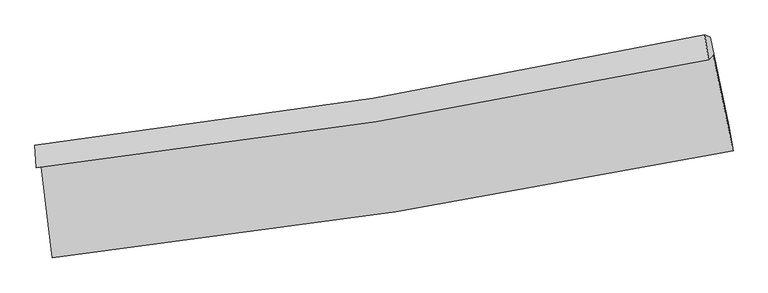
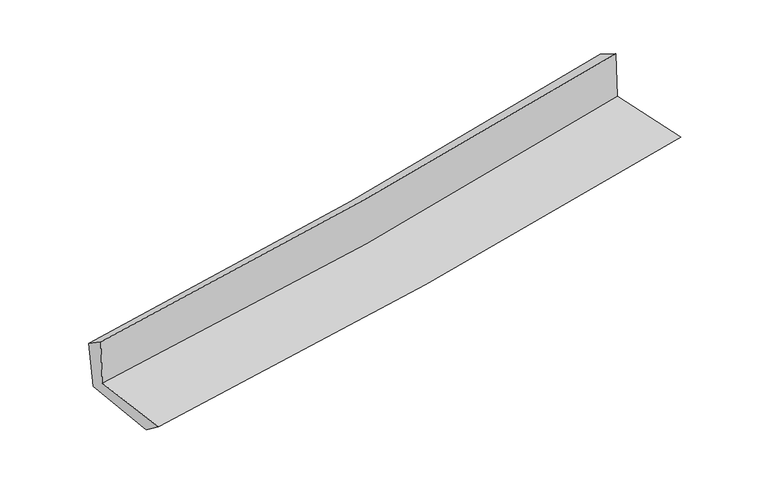
"""IFC4 building model written with IfcOpenShell, lengths in millimetres: proxy geometry."""

from ifc_helpers import new_model, si_unit, frame, origin, place, context, project, spatial, source, transform, mapped, element, save
from ifc_brep_helpers import plane_surface, spline_curve, spline_surface, advanced_brep


def generic_models_18642f66(model_context):
    return source(origin(), model_context, "Body", "AdvancedBrep", [
        advanced_brep(
        [(-2405.9264233, -1853.9653665, 1672.3322576), (-2323.7848635, -2524.6119114, 1663.6507697), (2480.2840684, -1768.799516, 2086.7016507), (2339.1100193, -1095.0018691, 2089.0797), (-2437.3303861, -1888.4437943, 2069.7283823), (2307.4927838, -1126.3563266, 2495.3895506), (-2446.9918131, -1729.1066429, 1961.7481714), (2280.2478403, -951.194138, 2395.3777976), (-2411.4747514, -1734.505031, 1572.4461908), (2318.9961368, -965.8973605, 2015.714514), (-2332.4578199, -2367.2424057, 1547.2981492), (2451.3140794, -1589.339757, 1995.4814899)],
        [
            (0, 1),
            (1, 2, spline_curve(3, [(-2323.7848635, -2524.6119114, 1663.6507697), (-1513.223199612, -2433.661503336, 1733.476138168), (-705.258161811, -2324.725164076, 1803.854156316), (896.037627234, -2072.36848573, 1944.883997828), (1689.428900015, -1929.367359872, 2015.522939983), (2480.2840684, -1768.799516, 2086.7016507)], [4, 2, 4], [0.0, 8.009813167251052, 15.925730271582198])),
            (2, 3),
            (3, 0, spline_curve(3, [(2339.1100193, -1095.0018691, 2089.0797), (1560.114325407, -1262.744631631, 2016.076220779), (777.549287771, -1409.613872581, 1945.038625544), (-804.044347175, -1663.09983172, 1806.075897637), (-1603.158123932, -1769.218423368, 1738.197678565), (-2405.9264233, -1853.9653665, 1672.3322576)], [4, 2, 4], [0.0, 7.915917104331147, 15.925730271582198])),
            (4, 0),
            (3, 5),
            (5, 4, spline_curve(3, [(2307.4927838, -1126.3563266, 2495.3895506), (1527.045324681, -1291.962860823, 2432.807522081), (743.767688538, -1438.014960143, 2366.277296773), (-837.772494999, -1692.510764073, 2224.484460653), (-1636.102582418, -1800.487820637, 2149.127629904), (-2437.3303861, -1888.4437943, 2069.7283823)], [4, 2, 4], [0.0, 7.86968835340533, 15.832724419154324])),
            (6, 4),
            (5, 7),
            (7, 6, spline_curve(3, [(2280.2478403, -951.194138, 2395.3777976), (1503.448959665, -1119.311704519, 2327.630628896), (723.454434264, -1267.929971178, 2257.846376122), (-852.215855987, -1527.699471676, 2113.351780477), (-1647.967881559, -1638.385373531, 2038.592824499), (-2446.9918131, -1729.1066429, 1961.7481714)], [4, 2, 4], [0.0, 7.8589390638043355, 15.811098335336078])),
            (8, 6),
            (7, 9),
            (9, 8, spline_curve(3, [(2318.9961368, -965.8973605, 2015.714514), (1541.27919335, -1129.275858233, 1943.099813686), (760.556826243, -1274.744333416, 1870.073664604), (-816.195081645, -1531.374296127, 1722.327375627), (-1612.29634389, -1642.108377621, 1647.597417059), (-2411.4747514, -1734.505031, 1572.4461908)], [4, 2, 4], [0.0, 7.8493025178349285, 15.791710937788103])),
            (10, 8),
            (9, 11),
            (11, 10, spline_curve(3, [(2451.3140794, -1589.339757, 1995.4814899), (1664.340540908, -1754.684252384, 1921.99556846), (874.573059379, -1901.906996879, 1848.12647121), (-719.950899111, -2161.640338186, 1698.741168607), (-1524.774050562, -2273.718476737, 1623.215818953), (-2332.4578199, -2367.2424057, 1547.2981492)], [4, 2, 4], [0.0, 7.895438957501121, 15.884531072730255])),
            (1, 10),
            (11, 2),
        ],
        [
            spline_surface(3, 3, [[(-2405.9264233, -1853.9653665, 1672.3322576), (-1603.158124059, -1769.21842341, 1738.197678487), (-804.044347299, -1663.099831845, 1806.07589753), (777.549287893, -1409.613872457, 1945.038625649), (1560.114325321, -1262.744631614, 2016.07622071), (2339.1100193, -1095.0018691, 2089.0797)], [(-2378.545903358, -2077.514214791, 1669.438428294), (-1573.179815893, -1990.699450028, 1736.623831741), (-771.115618765, -1883.641609227, 1805.335317124), (817.045400992, -1630.532076877, 1944.987083004), (1603.219183524, -1484.952207724, 2015.891793788), (2386.168035659, -1319.601084757, 2088.287016882)], [(-2351.165383442, -2301.063063109, 1666.544599006), (-1543.201507753, -2212.180476674, 1735.049985014), (-738.186890265, -2104.183386659, 1804.594736778), (856.541514057, -1851.450281345, 1944.935540419), (1646.32404175, -1707.159783764, 2015.707366918), (2433.226052041, -1544.200300343, 2087.494333818)], [(-2323.7848635, -2524.6119114, 1663.6507697), (-1513.223199587, -2433.661503291, 1733.476138267), (-705.258161731, -2324.725164041, 1803.854156372), (896.037627155, -2072.368485765, 1944.883997773), (1689.428899953, -1929.367359875, 2015.522939996), (2480.2840684, -1768.799516, 2086.7016507)]], [4, 4], [4, 2, 4], [0.0, 2.2015034613675657], [0.0, 8.009813167251052, 15.925730271582198]),
            spline_surface(3, 3, [[(-2437.3303861, -1888.4437943, 2069.7283823), (-1636.102582437, -1800.487820665, 2149.127629796), (-837.772495131, -1692.510764127, 2224.484460658), (743.767688668, -1438.01496009, 2366.277296767), (1527.045324665, -1291.962860743, 2432.807522014), (2307.4927838, -1126.3563266, 2495.3895506)], [(-2426.862398486, -1876.950985051, 1937.263007409), (-1625.121096297, -1790.064688264, 2012.150979368), (-826.529779183, -1682.707120031, 2085.014939634), (755.028221746, -1428.547930877, 2225.864406413), (1538.068324905, -1282.223451029, 2293.897088274), (2318.031862322, -1115.904840762, 2359.952933761)], [(-2416.394410914, -1865.458175749, 1804.797632491), (-1614.139610198, -1779.641555811, 1875.174328914), (-815.287063246, -1672.903475941, 1945.545418554), (766.288754815, -1419.08090167, 2085.451516004), (1549.091325081, -1272.484041328, 2154.98665445), (2328.570940778, -1105.453354938, 2224.516316839)], [(-2405.9264233, -1853.9653665, 1672.3322576), (-1603.158124059, -1769.21842341, 1738.197678487), (-804.044347299, -1663.099831845, 1806.07589753), (777.549287893, -1409.613872457, 1945.038625649), (1560.114325321, -1262.744631614, 2016.07622071), (2339.1100193, -1095.0018691, 2089.0797)]], [4, 4], [4, 2, 4], [0.0, 1.3850142851205975], [0.0, 7.9630360657489945, 15.832724419154324]),
            spline_surface(3, 3, [[(-2446.9918131, -1729.1066429, 1961.7481714), (-1647.967881628, -1638.38537357, 2038.592824598), (-852.21585591, -1527.699471768, 2113.351780483), (723.454434187, -1267.929971088, 2257.846376115), (1503.448959586, -1119.311704566, 2327.630628983), (2280.2478403, -951.194138, 2395.3777976)], [(-2443.771337447, -1782.219026705, 1997.741575022), (-1644.012781911, -1692.419522606, 2075.437759653), (-847.401402341, -1582.636569228, 2150.396007192), (730.22551899, -1324.624967428, 2293.990016316), (1511.314414589, -1176.862089945, 2362.689593321), (2289.32948811, -1009.581534186, 2428.715048594)], [(-2440.550861753, -1835.331410495, 2033.734978678), (-1640.057682153, -1746.453671628, 2112.282694741), (-842.586948699, -1637.573666668, 2187.44023395), (736.996603865, -1381.31996375, 2330.133656566), (1519.179869662, -1234.412475364, 2397.748557676), (2298.41113599, -1067.968930414, 2462.052299606)], [(-2437.3303861, -1888.4437943, 2069.7283823), (-1636.102582437, -1800.487820665, 2149.127629796), (-837.772495131, -1692.510764127, 2224.484460658), (743.767688668, -1438.01496009, 2366.277296767), (1527.045324665, -1291.962860743, 2432.807522014), (2307.4927838, -1126.3563266, 2495.3895506)]], [4, 4], [4, 2, 4], [0.0, 0.6593163337997391], [0.0, 7.952159271531743, 15.811098335336078]),
            spline_surface(3, 3, [[(-2411.4747514, -1734.505031, 1572.4461908), (-1612.296343975, -1642.108377713, 1647.597417082), (-816.195081607, -1531.374296079, 1722.327375666), (760.556826205, -1274.744333463, 1870.073664566), (1541.279193226, -1129.27585826, 1943.099813708), (2318.9961368, -965.8973605, 2015.714514)], [(-2423.313771958, -1732.70556829, 1702.213517678), (-1624.186856518, -1640.867376322, 1777.929219599), (-828.202006375, -1530.149354649, 1852.668843933), (748.189362199, -1272.472879345, 1999.331235077), (1528.669115357, -1125.954473695, 2071.276752131), (2306.080037977, -960.996286333, 2142.268941865)], [(-2435.152792542, -1730.90610561, 1831.980844522), (-1636.077369085, -1639.626374961, 1908.261022081), (-840.208931142, -1528.924413198, 1983.010312216), (735.821898194, -1270.201425206, 2128.588805604), (1516.059037456, -1122.633089131, 2199.45369056), (2293.163939123, -956.095212167, 2268.823369735)], [(-2446.9918131, -1729.1066429, 1961.7481714), (-1647.967881628, -1638.38537357, 2038.592824598), (-852.21585591, -1527.699471768, 2113.351780483), (723.454434187, -1267.929971088, 2257.846376115), (1503.448959586, -1119.311704566, 2327.630628983), (2280.2478403, -951.194138, 2395.3777976)]], [4, 4], [4, 2, 4], [0.0, 1.283347957971646], [0.0, 7.942408419953175, 15.791710937788103]),
            spline_surface(3, 3, [[(-2332.4578199, -2367.2424057, 1547.2981492), (-1524.774050474, -2273.718476659, 1623.21581887), (-719.950899004, -2161.640338228, 1698.74116851), (874.573059272, -1901.906996838, 1848.126471306), (1664.340540917, -1754.684252382, 1921.995568514), (2451.3140794, -1589.339757, 1995.4814899)], [(-2358.796797088, -2156.329947457, 1555.680829735), (-1553.948148329, -2063.181777001, 1631.343018275), (-752.032293209, -1951.55165752, 1706.603237575), (836.567648246, -1692.852775721, 1855.442202405), (1623.320091679, -1546.214787674, 1929.030316891), (2407.208098525, -1381.525624832, 2002.225831246)], [(-2385.135774212, -1945.417489243, 1564.063510265), (-1583.12224612, -1852.645077371, 1639.470217676), (-784.113687402, -1741.462976787, 1714.465306601), (798.562237231, -1483.798554579, 1862.757933466), (1582.299642465, -1337.745322968, 1936.065065331), (2363.102117675, -1173.711492668, 2008.970172654)], [(-2411.4747514, -1734.505031, 1572.4461908), (-1612.296343975, -1642.108377713, 1647.597417082), (-816.195081607, -1531.374296079, 1722.327375666), (760.556826205, -1274.744333463, 1870.073664566), (1541.279193226, -1129.27585826, 1943.099813708), (2318.9961368, -965.8973605, 2015.714514)]], [4, 4], [4, 2, 4], [0.0, 2.0926868178889766], [0.0, 7.989092115229134, 15.884531072730255]),
            spline_surface(3, 3, [[(-2323.7848635, -2524.6119114, 1663.6507697), (-1513.223199587, -2433.661503291, 1733.476138267), (-705.258161731, -2324.725164041, 1803.854156372), (896.037627155, -2072.368485765, 1944.883997773), (1689.428899953, -1929.367359875, 2015.522939996), (2480.2840684, -1768.799516, 2086.7016507)], [(-2326.675848962, -2472.155409506, 1624.866562862), (-1517.073483211, -2380.347161087, 1696.722698464), (-710.155740808, -2270.363555433, 1768.816493762), (888.882771208, -2015.547989453, 1912.631488962), (1681.066113615, -1871.139657373, 1984.34714952), (2470.627405407, -1708.979596329, 2056.294930452)], [(-2329.566834438, -2419.698907594, 1586.082356038), (-1520.923766849, -2327.032818864, 1659.969258673), (-715.053319927, -2216.001946835, 1733.77883112), (881.727915219, -1958.72749315, 1880.378980117), (1672.703327255, -1812.911954884, 1953.17135899), (2460.970742393, -1649.159676671, 2025.888210148)], [(-2332.4578199, -2367.2424057, 1547.2981492), (-1524.774050474, -2273.718476659, 1623.21581887), (-719.950899004, -2161.640338228, 1698.74116851), (874.573059272, -1901.906996838, 1848.126471306), (1664.340540917, -1754.684252382, 1921.995568514), (2451.3140794, -1589.339757, 1995.4814899)]], [4, 4], [4, 2, 4], [0.0, 0.6422581635785705], [0.0, 8.04553228480046, 15.99674978474096]),
            plane_surface(frame((2362.907488, -1249.4314945, 2179.6241171), z_axis=(0.9746996377617366, 0.20389579937227384, 0.09158121611706549), x_axis=(-0.10145694795607993, 0.038498313889874666, 0.9940947477675727))),
            plane_surface(frame((-2392.9943429, -2016.3125253, 1747.8673201), z_axis=(-0.9888211485467246, -0.11996568514027815, -0.08854925508190428), x_axis=(-0.12156261584944034, 0.9925006108667576, 0.0128478736355309))),
        ],
        [
            (0, [[1, 2, 3, 4]]),
            (1, [[5, -4, 6, 7]]),
            (2, [[8, -7, 9, 10]]),
            (3, [[11, -10, 12, 13]]),
            (4, [[14, -13, 15, 16]]),
            (5, [[17, -16, 18, -2]]),
            (6, [[-12, -9, -6, -3, -18, -15]]),
            (7, [[-1, -5, -8, -11, -14, -17]]),
        ],
    ),
    ])


if __name__ == "__main__":
    model = new_model("IFC4")
    model_context = context("Model", 3, world=origin())
    ifc_project = project(units=[si_unit("LENGTHUNIT", "METRE", prefix="MILLI")], contexts=[model_context])
    site = spatial("IfcSite", under=ifc_project)
    building = spatial("IfcBuilding", under=site)
    placement = place(None, origin())
    generic_models_shape = generic_models_18642f66(model_context)
    element("IfcBuildingElementProxy", 1, Name="Generic Models", at=placement, inside=building, context=model_context, shape_type="MappedRepresentation", body=[
        mapped(generic_models_shape, transform((0.0, 0.0, 0.0), x_axis=(1.0, 0.0, 0.0), y_axis=(0.0, 1.0, 0.0), z_axis=(0.0, 0.0, 1.0))),
    ])
    save(model, "model.ifc")
